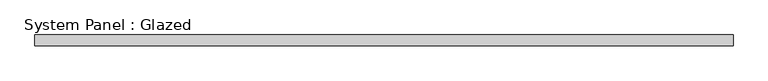
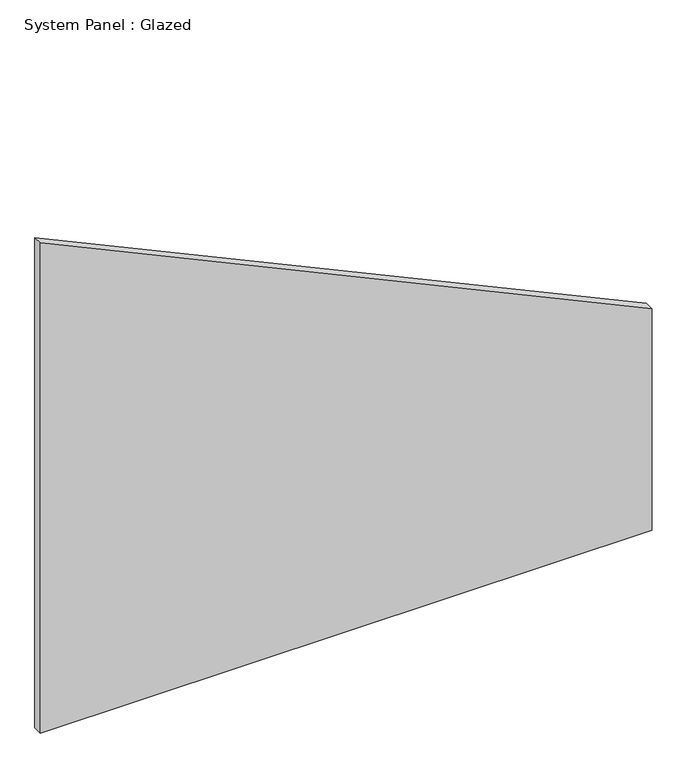
"""IFC4 building model written with IfcOpenShell, lengths in millimetres: plate geometry, System Panel : Glazed."""

from ifc_helpers import new_model, si_unit, frame, origin, place, context, project, spatial, polyline, outline, extrude, source, transform, mapped, element, save


def system_panel_glazed_95861de1(model_context):
    return source(origin(), model_context, "Body", "SweptSolid", [
        extrude(outline(polyline([(0.0, -808.6842105), (0.0, 808.6842105), (619.5801895, 808.6842105), (1369.8778587, -808.6842105), (0.0, -808.6842105)])), frame((0.0, 52.5, 0.0), z_axis=(0.0, 1.0, 0.0), x_axis=(0.0, 0.0, 1.0)), (0.0, 0.0, 1.0), 25.0),
    ])


if __name__ == "__main__":
    model = new_model("IFC4")
    model_context = context("Model", 3, world=origin())
    ifc_project = project(units=[si_unit("LENGTHUNIT", "METRE", prefix="MILLI")], contexts=[model_context])
    site = spatial("IfcSite", under=ifc_project)
    building = spatial("IfcBuilding", under=site)
    placement = place(None, origin())
    system_panel_glazed_shape = system_panel_glazed_95861de1(model_context)
    element("IfcPlate", 1, ObjectType="System Panel : Glazed", at=placement, inside=building, context=model_context, shape_type="MappedRepresentation", body=[
        mapped(system_panel_glazed_shape, transform((0.0, 0.0, 0.0), x_axis=(1.0, 0.0, 0.0), y_axis=(0.0, 1.0, 0.0), z_axis=(0.0, 0.0, 1.0))),
    ])
    save(model, "model.ifc")
